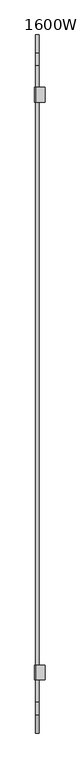
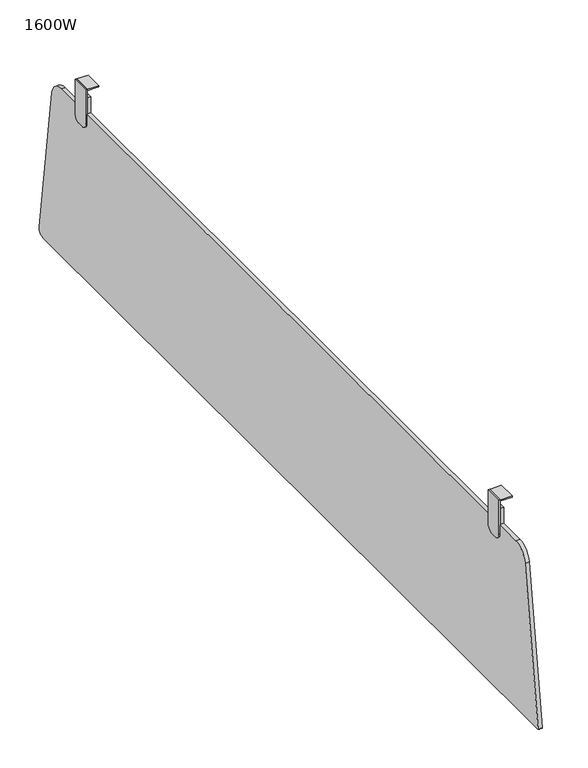
"""IFC4 building model written with IfcOpenShell, lengths in millimetres: furniture geometry, 1600W."""

import ifcopenshell
import ifcopenshell.guid

model = None  # the IFC model being written
_history = None  # IfcOwnerHistory: only IFC2X3 demands one
_inside = {}  # id of a spatial element -> (the spatial element, [elements in it])
_under = {}  # id of a project, library or spatial element -> (it, [spatial elements below it])
_declared = {}  # id of a project -> (the project, [libraries it declares])
_typed = {}  # id of a type object -> (the type object, [elements of that type])
_made_of = {}  # id of a material, layer set ... -> (it, [elements and type objects made of it])


def new_model(schema):
    """Start an empty IFC model of exactly this schema.

    Asked for "IFC4X3", IfcOpenShell would pick the latest addendum, in which some entities
    have other attributes; the version numbers below select the first issue.
    IFC2X3 requires an IfcOwnerHistory on every rooted entity: one is made here for all.
    """
    global model, _history
    if schema == "IFC4X3":
        model = ifcopenshell.file(schema_version=(4, 3, 0, 0))
    else:
        model = ifcopenshell.file(schema=schema)
    _inside.clear()
    _under.clear()
    _declared.clear()
    _typed.clear()
    _made_of.clear()
    _history = None
    if model.schema == "IFC2X3":
        org = make("IfcOrganization", Name="unknown")
        user = make(
            "IfcPersonAndOrganization",
            ThePerson=make("IfcPerson", FamilyName="unknown"),
            TheOrganization=org,
        )
        app = make(
            "IfcApplication",
            ApplicationDeveloper=org,
            Version="unknown",
            ApplicationFullName="unknown",
            ApplicationIdentifier="unknown",
        )
        _history = make(
            "IfcOwnerHistory",
            OwningUser=user,
            OwningApplication=app,
            ChangeAction="ADDED",
            CreationDate=0,
        )
    return model


def make(cls, **values):
    """One entity of the class cls with the attributes given. An attribute that is None is left unset."""
    return model.create_entity(
        cls, **{name: value for name, value in values.items() if value is not None}
    )


def rooted(cls, **values):
    """An entity with a GlobalId (a new one), such as an element, a storey or a relation."""
    return make(cls, GlobalId=ifcopenshell.guid.new(), OwnerHistory=_history, **values)


def si_unit(unit_type, name, prefix=None):
    """IfcSIUnit, for example si_unit("LENGTHUNIT", "METRE", prefix="MILLI")."""
    return make("IfcSIUnit", UnitType=unit_type, Prefix=prefix, Name=name)


def assignment(units):
    """IfcUnitAssignment: the units of a project."""
    return None if units is None else make("IfcUnitAssignment", Units=units)


def point(xyz):
    """IfcCartesianPoint."""
    return None if xyz is None else make("IfcCartesianPoint", Coordinates=xyz)


def direction(xyz):
    """IfcDirection."""
    return None if xyz is None else make("IfcDirection", DirectionRatios=xyz)


def frame(location, z_axis=None, x_axis=None):
    """IfcAxis2Placement3D, a coordinate frame: its origin and axes. An axis left out is left unset."""
    return make(
        "IfcAxis2Placement3D",
        Location=point(location),
        Axis=direction(z_axis),
        RefDirection=direction(x_axis),
    )


def frame_2d(location, x_axis=None):
    """IfcAxis2Placement2D, a coordinate frame in the plane: its origin and x axis."""
    return make(
        "IfcAxis2Placement2D", Location=point(location), RefDirection=direction(x_axis)
    )


def origin():
    """The frame at (0, 0, 0) with its axes left unset."""
    return frame((0.0, 0.0, 0.0))


def place(relative_to, where):
    """IfcLocalPlacement: puts the frame where relative to a parent placement (None: the world)."""
    return make(
        "IfcLocalPlacement", PlacementRelTo=relative_to, RelativePlacement=where
    )


def context(
    kind, dimensions, precision=None, world=None, true_north=None, identifier=None
):
    """IfcGeometricRepresentationContext, for example the 3D "Model" context."""
    return make(
        "IfcGeometricRepresentationContext",
        ContextIdentifier=identifier,
        ContextType=kind,
        CoordinateSpaceDimension=dimensions,
        Precision=precision,
        WorldCoordinateSystem=world,
        TrueNorth=true_north,
    )


def project(units=None, contexts=None):
    """IfcProject with its units and contexts."""
    return rooted(
        "IfcProject",
        Name="project",
        RepresentationContexts=contexts,
        UnitsInContext=assignment(units),
    )


def spatial(cls, under=None, at=None, **own):
    """A site, building, storey or space (cls), placed at a placement, below another one or the project."""
    s = rooted(cls, ObjectPlacement=at, **own)
    if under is not None:
        _under.setdefault(under.id(), (under, []))[1].append(s)
    return s


def polyline(points):
    """IfcPolyline through the points."""
    return make("IfcPolyline", Points=[point(p) for p in points])


def circle_curve(where, radius):
    """IfcCircle in the frame where."""
    return make("IfcCircle", Position=where, Radius=radius)


def trimmed(basis, trim1, trim2, sense, master):
    """IfcTrimmedCurve: the piece of a basis curve between two trims."""
    return make(
        "IfcTrimmedCurve",
        BasisCurve=basis,
        Trim1=trim1,
        Trim2=trim2,
        SenseAgreement=sense,
        MasterRepresentation=master,
    )


def segment(curve, same_sense, transition):
    """IfcCompositeCurveSegment."""
    return make(
        "IfcCompositeCurveSegment",
        Transition=transition,
        SameSense=same_sense,
        ParentCurve=curve,
    )


def composite_curve(segments, self_intersect=None):
    """IfcCompositeCurve: segments joined end to end."""
    return make("IfcCompositeCurve", Segments=segments, SelfIntersect=self_intersect)


def outline(outer, holes=None, kind="AREA"):
    """IfcArbitraryClosedProfileDef: a profile drawn as a closed curve; with holes, ...WithVoids."""
    if holes is None:
        return make("IfcArbitraryClosedProfileDef", ProfileType=kind, OuterCurve=outer)
    return make(
        "IfcArbitraryProfileDefWithVoids",
        ProfileType=kind,
        OuterCurve=outer,
        InnerCurves=holes,
    )


def extrude(swept, where, along, depth):
    """IfcExtrudedAreaSolid: the profile swept, set in the frame where, extruded along a direction by depth."""
    return make(
        "IfcExtrudedAreaSolid",
        SweptArea=swept,
        Position=where,
        ExtrudedDirection=direction(along),
        Depth=depth,
    )


def shape(context_of_items, identifier, shape_type, items):
    """IfcShapeRepresentation: the items that make up one representation, for example the "Body"."""
    return make(
        "IfcShapeRepresentation",
        ContextOfItems=context_of_items,
        RepresentationIdentifier=identifier,
        RepresentationType=shape_type,
        Items=items,
    )


def source(mapping_origin, context_of_items, identifier, shape_type, items):
    """IfcRepresentationMap: a shape defined once, which mapped items show again and again."""
    return make(
        "IfcRepresentationMap",
        MappingOrigin=mapping_origin,
        MappedRepresentation=shape(context_of_items, identifier, shape_type, items),
    )


def transform(
    local_origin,
    x_axis=None,
    y_axis=None,
    z_axis=None,
    scale=None,
    scale2=None,
    scale3=None,
    uniform=True,
):
    """IfcCartesianTransformationOperator3D, or its non-uniform kind. x_axis, y_axis, z_axis: its Axis1, 2, 3."""
    if uniform:
        return make(
            "IfcCartesianTransformationOperator3D",
            Axis1=direction(x_axis),
            Axis2=direction(y_axis),
            LocalOrigin=point(local_origin),
            Scale=scale,
            Axis3=direction(z_axis),
        )
    return make(
        "IfcCartesianTransformationOperator3DnonUniform",
        Axis1=direction(x_axis),
        Axis2=direction(y_axis),
        LocalOrigin=point(local_origin),
        Scale=scale,
        Axis3=direction(z_axis),
        Scale2=scale2,
        Scale3=scale3,
    )


def mapped(mapping_source, mapping_target):
    """IfcMappedItem: shows the shape of a source again, moved by a transform."""
    return make(
        "IfcMappedItem", MappingSource=mapping_source, MappingTarget=mapping_target
    )


def made_of(thing, what):
    """Note that an element or type object is made of a material, layer set ...; save() writes the relation."""
    if what is not None:
        _made_of.setdefault(what.id(), (what, []))[1].append(thing)
    return thing


def element(
    cls,
    number,
    at=None,
    inside=None,
    cuts=None,
    type_object=None,
    material=None,
    context=None,
    identifier="Body",
    shape_type=None,
    held_by="IfcProductDefinitionShape",
    body=None,
    shapes=None,
    **own,
):
    """One element of the class cls, such as IfcWall. Its Tag is "e" and its number.

    at: its placement. inside: the storey or other place that contains it. cuts: it is an
    opening in that element (IfcRelVoidsElement). A single representation is given by context,
    identifier, shape_type and body (its items); several are given by shapes. held_by: the class
    of the entity that holds the representations. save() writes the other relations.
    """
    e = rooted(cls, Tag="e%d" % number, ObjectPlacement=at, **own)
    if body is not None:
        shapes = [shape(context, identifier, shape_type, body)]
    if shapes is not None:
        e.Representation = make(held_by, Representations=shapes)
    if inside is not None:
        _inside.setdefault(inside.id(), (inside, []))[1].append(e)
    if cuts is not None:
        rooted(
            "IfcRelVoidsElement", RelatingBuildingElement=cuts, RelatedOpeningElement=e
        )
    if type_object is not None:
        _typed.setdefault(type_object.id(), (type_object, []))[1].append(e)
    return made_of(e, material)


def aggregate(whole, parts):
    """IfcRelAggregates: a whole, such as a stair, and the parts it consists of."""
    return rooted("IfcRelAggregates", RelatingObject=whole, RelatedObjects=parts)


def save(model, path):
    """Write the relations noted so far, then the file.

    IfcRelAggregates (storeys below a building ...), IfcRelContainedInSpatialStructure (elements
    in a storey), IfcRelDefinesByType, IfcRelAssociatesMaterial and IfcRelDeclares: one each for
    every whole, place, type object, material and project.
    """
    for whole, parts in _under.values():
        aggregate(whole, parts)
    for where, things in _inside.values():
        rooted(
            "IfcRelContainedInSpatialStructure",
            RelatedElements=things,
            RelatingStructure=where,
        )
    for kind, things in _typed.values():
        rooted("IfcRelDefinesByType", RelatedObjects=things, RelatingType=kind)
    for what, things in _made_of.values():
        rooted("IfcRelAssociatesMaterial", RelatedObjects=things, RelatingMaterial=what)
    for by, libraries in _declared.values():
        rooted("IfcRelDeclares", RelatingContext=by, RelatedDefinitions=libraries)
    model.write(path)


def furniture_1600w_cd33d812(model_context):
    return source(origin(), model_context, "Body", "SweptSolid", [
        extrude(outline(composite_curve([segment(trimmed(circle_curve(frame_2d((600.9454614, 594.1281975)), 25.0), [point((600.9454614, 619.1281975))], [point((625.7013943, 597.6129907))], False, "CARTESIAN"), True, "CONTINUOUS"), segment(polyline([(625.7013943, 597.6129907), (658.9581492, 361.357367)]), True, "CONTINUOUS"), segment(trimmed(circle_curve(frame_2d((649.055776, 359.9634497)), 10.0), [point((658.9581492, 361.357367))], [point((649.055776, 349.9634497))], False, "CARTESIAN"), True, "CONTINUOUS"), segment(polyline([(649.055776, 349.9634497), (-659.3893813, 349.9634497)]), True, "CONTINUOUS"), segment(trimmed(circle_curve(frame_2d((-659.3893813, 350.9634497)), 1.0), [point((-659.3893813, 349.9634497))], [point((-660.3796186, 351.1028414))], False, "CARTESIAN"), True, "CONTINUOUS"), segment(polyline([(-660.3796186, 351.1028414), (-625.6793753, 597.6129907)]), True, "CONTINUOUS"), segment(trimmed(circle_curve(frame_2d((-600.9234424, 594.1281975)), 25.0), [point((-625.6793753, 597.6129907))], [point((-600.9234424, 619.1281975))], False, "CARTESIAN"), True, "CONTINUOUS"), segment(polyline([(-600.9234424, 619.1281975), (-558.4928724, 619.1281975), (-558.4928724, 644.9634665), (-533.4928722, 644.9634665), (-533.4928722, 619.1281975), (533.5149276, 619.1281975), (533.5149276, 644.9634665), (558.5149278, 644.9634665), (558.5149278, 619.1281975), (600.9454614, 619.1281975)]), True, "CONTINUOUS")], self_intersect=False)), frame((33.8859381, 0.0, 0.0), z_axis=(1.0, 0.0, 0.0), x_axis=(0.0, 1.0, 0.0)), (0.0, 0.0, 1.0), 6.0976542),
        extrude(outline(composite_curve([segment(polyline([(532.0149523, 659.963423), (560.014951, 659.963423), (560.014951, 604.9634297)]), True, "CONTINUOUS"), segment(trimmed(circle_curve(frame_2d((550.014951, 604.9634297)), 10.0), [point((560.014951, 604.9634297))], [point((550.014951, 594.9634297))], False, "CARTESIAN"), True, "CONTINUOUS"), segment(polyline([(550.014951, 594.9634297), (542.0149523, 594.9634297)]), True, "CONTINUOUS"), segment(trimmed(circle_curve(frame_2d((542.0149523, 604.9634297)), 10.0), [point((542.0149523, 594.9634297))], [point((532.0149523, 604.9634297))], False, "CARTESIAN"), True, "CONTINUOUS"), segment(polyline([(532.0149523, 604.9634297), (532.0149523, 659.963423)]), True, "CONTINUOUS")], self_intersect=False)), frame((31.8859375, 0.0, 0.0), z_axis=(1.0, 0.0, 0.0), x_axis=(0.0, 1.0, 0.0)), (0.0, 0.0, 1.0), 2.0000006),
        extrude(outline(composite_curve([segment(polyline([(-532.0149523, 659.963423), (-532.0149523, 604.9634297)]), True, "CONTINUOUS"), segment(trimmed(circle_curve(frame_2d((-542.0149523, 604.9634297)), 10.0), [point((-532.0149523, 604.9634297))], [point((-542.0149523, 594.9634297))], False, "CARTESIAN"), True, "CONTINUOUS"), segment(polyline([(-542.0149523, 594.9634297), (-550.014951, 594.9634297)]), True, "CONTINUOUS"), segment(trimmed(circle_curve(frame_2d((-550.014951, 604.9634297)), 10.0), [point((-550.014951, 594.9634297))], [point((-560.014951, 604.9634297))], False, "CARTESIAN"), True, "CONTINUOUS"), segment(polyline([(-560.014951, 604.9634297), (-560.014951, 659.963423), (-532.0149523, 659.963423)]), True, "CONTINUOUS")], self_intersect=False)), frame((31.8859375, 0.0, 0.0), z_axis=(1.0, 0.0, 0.0), x_axis=(0.0, 1.0, 0.0)), (0.0, 0.0, 1.0), 2.0000006),
        extrude(outline(polyline([(51.8859363, 560.014951), (51.8859363, 532.0149523), (33.8859381, 532.0149523), (33.8859381, 560.014951), (51.8859363, 560.014951)])), frame((0.0, 0.0, 657.9634724), z_axis=(0.0, 0.0, 1.0), x_axis=(1.0, 0.0, 0.0)), (0.0, 0.0, 1.0), 1.9999506),
        extrude(outline(polyline([(51.8802078, -559.9928602), (34.4860355, -559.9928602), (34.4860355, -531.9928711), (51.8802078, -531.9928711), (51.8802078, -559.9928602)])), frame((0.0, 0.0, 657.9634724), z_axis=(0.0, 0.0, 1.0), x_axis=(1.0, 0.0, 0.0)), (0.0, 0.0, 1.0), 1.9999506),
    ])


if __name__ == "__main__":
    model = new_model("IFC4")
    model_context = context("Model", 3, world=origin())
    ifc_project = project(units=[si_unit("LENGTHUNIT", "METRE", prefix="MILLI")], contexts=[model_context])
    site = spatial("IfcSite", under=ifc_project)
    building = spatial("IfcBuilding", under=site)
    placement = place(None, origin())
    furniture_1600w_shape = furniture_1600w_cd33d812(model_context)
    element("IfcFurniture", 1, ObjectType="1600W", at=placement, inside=building, context=model_context, shape_type="MappedRepresentation", body=[
        mapped(furniture_1600w_shape, transform((0.0, 0.0, 0.0), x_axis=(1.0, 0.0, 0.0), y_axis=(0.0, 1.0, 0.0), z_axis=(0.0, 0.0, 1.0))),
    ])
    save(model, "model.ifc")
